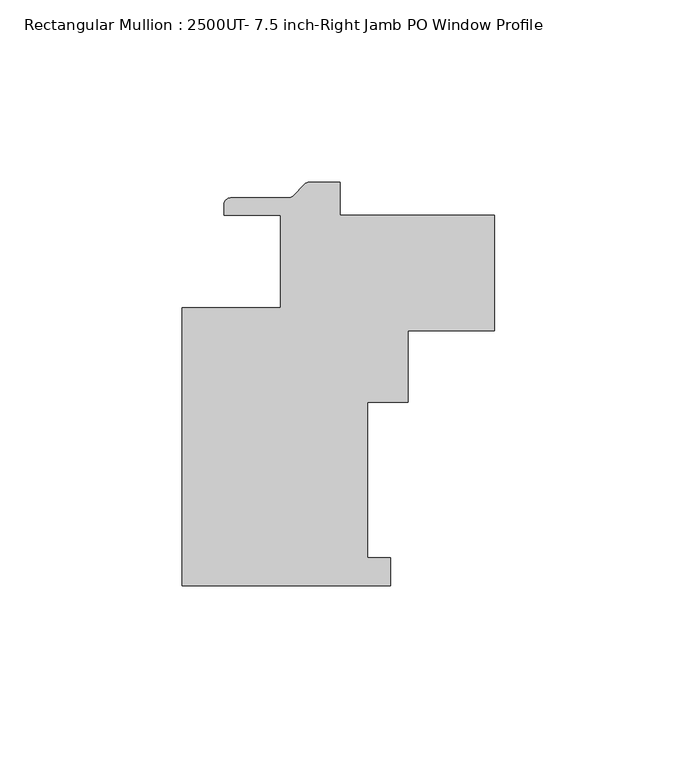
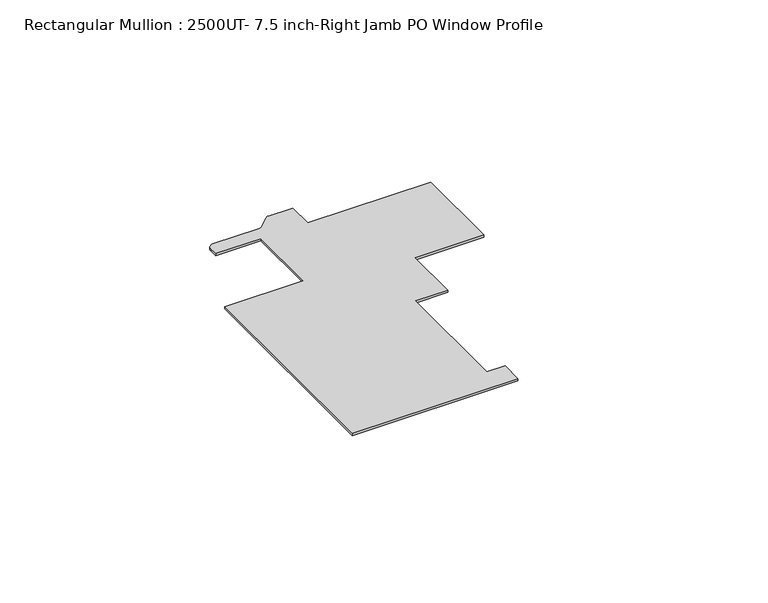
"""IFC4 building model written with IfcOpenShell, lengths in millimetres: member geometry, Rectangular Mullion : 2500UT- 7.5 inch-Right Jamb PO Window Profile."""

import ifcopenshell
import ifcopenshell.guid

model = None  # the IFC model being written
_history = None  # IfcOwnerHistory: only IFC2X3 demands one
_inside = {}  # id of a spatial element -> (the spatial element, [elements in it])
_under = {}  # id of a project, library or spatial element -> (it, [spatial elements below it])
_declared = {}  # id of a project -> (the project, [libraries it declares])
_typed = {}  # id of a type object -> (the type object, [elements of that type])
_made_of = {}  # id of a material, layer set ... -> (it, [elements and type objects made of it])


def new_model(schema):
    """Start an empty IFC model of exactly this schema.

    Asked for "IFC4X3", IfcOpenShell would pick the latest addendum, in which some entities
    have other attributes; the version numbers below select the first issue.
    IFC2X3 requires an IfcOwnerHistory on every rooted entity: one is made here for all.
    """
    global model, _history
    if schema == "IFC4X3":
        model = ifcopenshell.file(schema_version=(4, 3, 0, 0))
    else:
        model = ifcopenshell.file(schema=schema)
    _inside.clear()
    _under.clear()
    _declared.clear()
    _typed.clear()
    _made_of.clear()
    _history = None
    if model.schema == "IFC2X3":
        org = make("IfcOrganization", Name="unknown")
        user = make(
            "IfcPersonAndOrganization",
            ThePerson=make("IfcPerson", FamilyName="unknown"),
            TheOrganization=org,
        )
        app = make(
            "IfcApplication",
            ApplicationDeveloper=org,
            Version="unknown",
            ApplicationFullName="unknown",
            ApplicationIdentifier="unknown",
        )
        _history = make(
            "IfcOwnerHistory",
            OwningUser=user,
            OwningApplication=app,
            ChangeAction="ADDED",
            CreationDate=0,
        )
    return model


def make(cls, **values):
    """One entity of the class cls with the attributes given. An attribute that is None is left unset."""
    return model.create_entity(
        cls, **{name: value for name, value in values.items() if value is not None}
    )


def rooted(cls, **values):
    """An entity with a GlobalId (a new one), such as an element, a storey or a relation."""
    return make(cls, GlobalId=ifcopenshell.guid.new(), OwnerHistory=_history, **values)


def si_unit(unit_type, name, prefix=None):
    """IfcSIUnit, for example si_unit("LENGTHUNIT", "METRE", prefix="MILLI")."""
    return make("IfcSIUnit", UnitType=unit_type, Prefix=prefix, Name=name)


def assignment(units):
    """IfcUnitAssignment: the units of a project."""
    return None if units is None else make("IfcUnitAssignment", Units=units)


def point(xyz):
    """IfcCartesianPoint."""
    return None if xyz is None else make("IfcCartesianPoint", Coordinates=xyz)


def direction(xyz):
    """IfcDirection."""
    return None if xyz is None else make("IfcDirection", DirectionRatios=xyz)


def frame(location, z_axis=None, x_axis=None):
    """IfcAxis2Placement3D, a coordinate frame: its origin and axes. An axis left out is left unset."""
    return make(
        "IfcAxis2Placement3D",
        Location=point(location),
        Axis=direction(z_axis),
        RefDirection=direction(x_axis),
    )


def frame_2d(location, x_axis=None):
    """IfcAxis2Placement2D, a coordinate frame in the plane: its origin and x axis."""
    return make(
        "IfcAxis2Placement2D", Location=point(location), RefDirection=direction(x_axis)
    )


def origin():
    """The frame at (0, 0, 0) with its axes left unset."""
    return frame((0.0, 0.0, 0.0))


def place(relative_to, where):
    """IfcLocalPlacement: puts the frame where relative to a parent placement (None: the world)."""
    return make(
        "IfcLocalPlacement", PlacementRelTo=relative_to, RelativePlacement=where
    )


def context(
    kind, dimensions, precision=None, world=None, true_north=None, identifier=None
):
    """IfcGeometricRepresentationContext, for example the 3D "Model" context."""
    return make(
        "IfcGeometricRepresentationContext",
        ContextIdentifier=identifier,
        ContextType=kind,
        CoordinateSpaceDimension=dimensions,
        Precision=precision,
        WorldCoordinateSystem=world,
        TrueNorth=true_north,
    )


def project(units=None, contexts=None):
    """IfcProject with its units and contexts."""
    return rooted(
        "IfcProject",
        Name="project",
        RepresentationContexts=contexts,
        UnitsInContext=assignment(units),
    )


def spatial(cls, under=None, at=None, **own):
    """A site, building, storey or space (cls), placed at a placement, below another one or the project."""
    s = rooted(cls, ObjectPlacement=at, **own)
    if under is not None:
        _under.setdefault(under.id(), (under, []))[1].append(s)
    return s


def polyline(points):
    """IfcPolyline through the points."""
    return make("IfcPolyline", Points=[point(p) for p in points])


def circle_curve(where, radius):
    """IfcCircle in the frame where."""
    return make("IfcCircle", Position=where, Radius=radius)


def trimmed(basis, trim1, trim2, sense, master):
    """IfcTrimmedCurve: the piece of a basis curve between two trims."""
    return make(
        "IfcTrimmedCurve",
        BasisCurve=basis,
        Trim1=trim1,
        Trim2=trim2,
        SenseAgreement=sense,
        MasterRepresentation=master,
    )


def segment(curve, same_sense, transition):
    """IfcCompositeCurveSegment."""
    return make(
        "IfcCompositeCurveSegment",
        Transition=transition,
        SameSense=same_sense,
        ParentCurve=curve,
    )


def composite_curve(segments, self_intersect=None):
    """IfcCompositeCurve: segments joined end to end."""
    return make("IfcCompositeCurve", Segments=segments, SelfIntersect=self_intersect)


def outline(outer, holes=None, kind="AREA"):
    """IfcArbitraryClosedProfileDef: a profile drawn as a closed curve; with holes, ...WithVoids."""
    if holes is None:
        return make("IfcArbitraryClosedProfileDef", ProfileType=kind, OuterCurve=outer)
    return make(
        "IfcArbitraryProfileDefWithVoids",
        ProfileType=kind,
        OuterCurve=outer,
        InnerCurves=holes,
    )


def extrude(swept, where, along, depth):
    """IfcExtrudedAreaSolid: the profile swept, set in the frame where, extruded along a direction by depth."""
    return make(
        "IfcExtrudedAreaSolid",
        SweptArea=swept,
        Position=where,
        ExtrudedDirection=direction(along),
        Depth=depth,
    )


def shape(context_of_items, identifier, shape_type, items):
    """IfcShapeRepresentation: the items that make up one representation, for example the "Body"."""
    return make(
        "IfcShapeRepresentation",
        ContextOfItems=context_of_items,
        RepresentationIdentifier=identifier,
        RepresentationType=shape_type,
        Items=items,
    )


def source(mapping_origin, context_of_items, identifier, shape_type, items):
    """IfcRepresentationMap: a shape defined once, which mapped items show again and again."""
    return make(
        "IfcRepresentationMap",
        MappingOrigin=mapping_origin,
        MappedRepresentation=shape(context_of_items, identifier, shape_type, items),
    )


def transform(
    local_origin,
    x_axis=None,
    y_axis=None,
    z_axis=None,
    scale=None,
    scale2=None,
    scale3=None,
    uniform=True,
):
    """IfcCartesianTransformationOperator3D, or its non-uniform kind. x_axis, y_axis, z_axis: its Axis1, 2, 3."""
    if uniform:
        return make(
            "IfcCartesianTransformationOperator3D",
            Axis1=direction(x_axis),
            Axis2=direction(y_axis),
            LocalOrigin=point(local_origin),
            Scale=scale,
            Axis3=direction(z_axis),
        )
    return make(
        "IfcCartesianTransformationOperator3DnonUniform",
        Axis1=direction(x_axis),
        Axis2=direction(y_axis),
        LocalOrigin=point(local_origin),
        Scale=scale,
        Axis3=direction(z_axis),
        Scale2=scale2,
        Scale3=scale3,
    )


def mapped(mapping_source, mapping_target):
    """IfcMappedItem: shows the shape of a source again, moved by a transform."""
    return make(
        "IfcMappedItem", MappingSource=mapping_source, MappingTarget=mapping_target
    )


def made_of(thing, what):
    """Note that an element or type object is made of a material, layer set ...; save() writes the relation."""
    if what is not None:
        _made_of.setdefault(what.id(), (what, []))[1].append(thing)
    return thing


def element(
    cls,
    number,
    at=None,
    inside=None,
    cuts=None,
    type_object=None,
    material=None,
    context=None,
    identifier="Body",
    shape_type=None,
    held_by="IfcProductDefinitionShape",
    body=None,
    shapes=None,
    **own,
):
    """One element of the class cls, such as IfcWall. Its Tag is "e" and its number.

    at: its placement. inside: the storey or other place that contains it. cuts: it is an
    opening in that element (IfcRelVoidsElement). A single representation is given by context,
    identifier, shape_type and body (its items); several are given by shapes. held_by: the class
    of the entity that holds the representations. save() writes the other relations.
    """
    e = rooted(cls, Tag="e%d" % number, ObjectPlacement=at, **own)
    if body is not None:
        shapes = [shape(context, identifier, shape_type, body)]
    if shapes is not None:
        e.Representation = make(held_by, Representations=shapes)
    if inside is not None:
        _inside.setdefault(inside.id(), (inside, []))[1].append(e)
    if cuts is not None:
        rooted(
            "IfcRelVoidsElement", RelatingBuildingElement=cuts, RelatedOpeningElement=e
        )
    if type_object is not None:
        _typed.setdefault(type_object.id(), (type_object, []))[1].append(e)
    return made_of(e, material)


def aggregate(whole, parts):
    """IfcRelAggregates: a whole, such as a stair, and the parts it consists of."""
    return rooted("IfcRelAggregates", RelatingObject=whole, RelatedObjects=parts)


def save(model, path):
    """Write the relations noted so far, then the file.

    IfcRelAggregates (storeys below a building ...), IfcRelContainedInSpatialStructure (elements
    in a storey), IfcRelDefinesByType, IfcRelAssociatesMaterial and IfcRelDeclares: one each for
    every whole, place, type object, material and project.
    """
    for whole, parts in _under.values():
        aggregate(whole, parts)
    for where, things in _inside.values():
        rooted(
            "IfcRelContainedInSpatialStructure",
            RelatedElements=things,
            RelatingStructure=where,
        )
    for kind, things in _typed.values():
        rooted("IfcRelDefinesByType", RelatedObjects=things, RelatingType=kind)
    for what, things in _made_of.values():
        rooted("IfcRelAssociatesMaterial", RelatedObjects=things, RelatingMaterial=what)
    for by, libraries in _declared.values():
        rooted("IfcRelDeclares", RelatingContext=by, RelatedDefinitions=libraries)
    model.write(path)


def rectangular_mullion_2500ut_7_5_inch_right_jamb_po_window_2fa86801(model_context):
    return source(origin(), model_context, "Body", "SweptSolid", [
        extrude(outline(composite_curve([segment(polyline([(-27.0362617, 21.828125), (-18.6724412, 21.828125), (-18.6724412, 12.862719), (23.7998, 12.862719), (23.7998, -18.887281), (0.0037083, -18.887281), (0.0037083, -38.414325), (-11.1087917, -38.414325), (-11.1087917, -81.118075), (-4.7587917, -81.118075), (-4.7587917, -88.737276), (-61.9087917, -88.737276), (-61.9087917, -12.537276), (-34.9212916, -12.537276), (-34.9212916, 12.8619249), (-50.4224412, 12.8619249), (-50.4224412, 15.782925)]), True, "CONTINUOUS"), segment(trimmed(circle_curve(frame_2d((-48.6444412, 15.782925)), 1.778), [point((-50.4224412, 15.782925))], [point((-48.6444412, 17.560925))], False, "CARTESIAN"), True, "CONTINUOUS"), segment(polyline([(-48.6444412, 17.560925), (-32.7764051, 17.560925)]), True, "CONTINUOUS"), segment(trimmed(circle_curve(frame_2d((-32.7764051, 19.338925)), 1.778), [point((-32.7764051, 17.560925))], [point((-31.5191693, 18.0816891))], True, "CARTESIAN"), True, "CONTINUOUS"), segment(polyline([(-31.5191693, 18.0816891), (-28.2934976, 21.3073609)]), True, "CONTINUOUS"), segment(trimmed(circle_curve(frame_2d((-27.0362617, 20.050125)), 1.778), [point((-28.2934976, 21.3073609))], [point((-27.0362617, 21.828125))], False, "CARTESIAN"), True, "CONTINUOUS")], self_intersect=False)), frame((0.0, 0.0, -0.7941147), z_axis=(0.0, 0.0, 1.0), x_axis=(1.0, 0.0, 0.0)), (0.0, 0.0, 1.0), 0.7941147),
    ])


if __name__ == "__main__":
    model = new_model("IFC4")
    model_context = context("Model", 3, world=origin())
    ifc_project = project(units=[si_unit("LENGTHUNIT", "METRE", prefix="MILLI")], contexts=[model_context])
    site = spatial("IfcSite", under=ifc_project)
    building = spatial("IfcBuilding", under=site)
    placement = place(None, origin())
    rectangular_mullion_2500ut_7_5_inch_right_jamb_po_window_shape = rectangular_mullion_2500ut_7_5_inch_right_jamb_po_window_2fa86801(model_context)
    element("IfcMember", 1, ObjectType="Rectangular Mullion : 2500UT- 7.5 inch-Right Jamb PO Window Profile", at=placement, inside=building, context=model_context, shape_type="MappedRepresentation", body=[
        mapped(rectangular_mullion_2500ut_7_5_inch_right_jamb_po_window_shape, transform((0.0, 0.0, 0.0), x_axis=(1.0, 0.0, 0.0), y_axis=(0.0, 1.0, 0.0), z_axis=(0.0, 0.0, 1.0))),
    ])
    save(model, "model.ifc")
